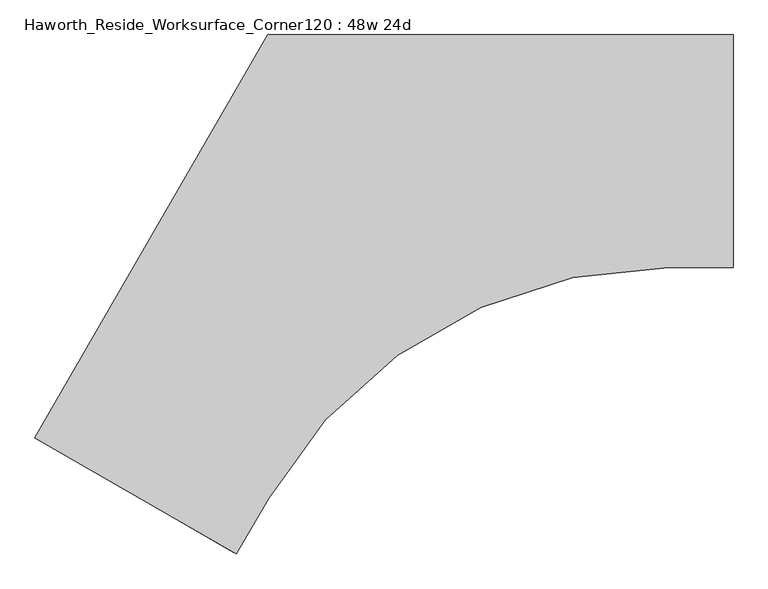
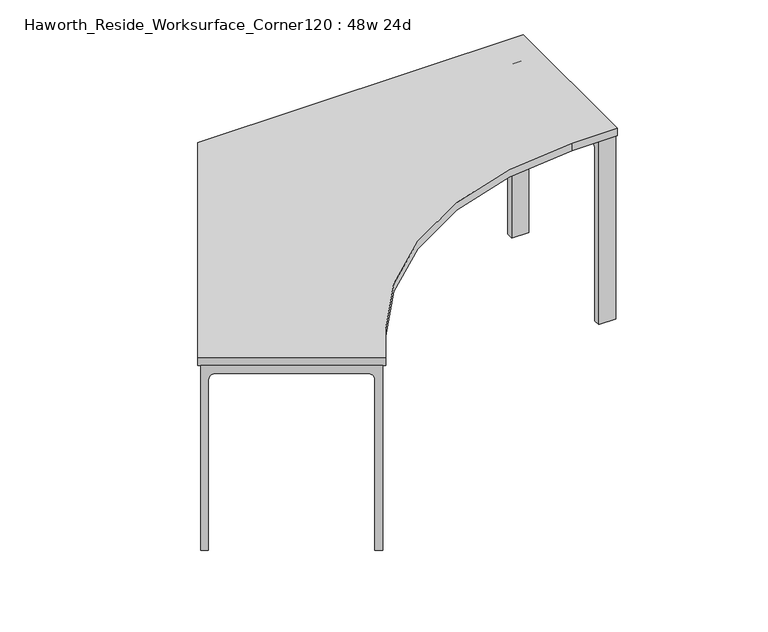
"""IFC4 building model written with IfcOpenShell, lengths in millimetres: furniture geometry, Haworth_Reside_Worksurface_Corner120 : 48w 24d."""

import ifcopenshell
import ifcopenshell.guid

model = None  # the IFC model being written
_history = None  # IfcOwnerHistory: only IFC2X3 demands one
_inside = {}  # id of a spatial element -> (the spatial element, [elements in it])
_under = {}  # id of a project, library or spatial element -> (it, [spatial elements below it])
_declared = {}  # id of a project -> (the project, [libraries it declares])
_typed = {}  # id of a type object -> (the type object, [elements of that type])
_made_of = {}  # id of a material, layer set ... -> (it, [elements and type objects made of it])


def new_model(schema):
    """Start an empty IFC model of exactly this schema.

    Asked for "IFC4X3", IfcOpenShell would pick the latest addendum, in which some entities
    have other attributes; the version numbers below select the first issue.
    IFC2X3 requires an IfcOwnerHistory on every rooted entity: one is made here for all.
    """
    global model, _history
    if schema == "IFC4X3":
        model = ifcopenshell.file(schema_version=(4, 3, 0, 0))
    else:
        model = ifcopenshell.file(schema=schema)
    _inside.clear()
    _under.clear()
    _declared.clear()
    _typed.clear()
    _made_of.clear()
    _history = None
    if model.schema == "IFC2X3":
        org = make("IfcOrganization", Name="unknown")
        user = make(
            "IfcPersonAndOrganization",
            ThePerson=make("IfcPerson", FamilyName="unknown"),
            TheOrganization=org,
        )
        app = make(
            "IfcApplication",
            ApplicationDeveloper=org,
            Version="unknown",
            ApplicationFullName="unknown",
            ApplicationIdentifier="unknown",
        )
        _history = make(
            "IfcOwnerHistory",
            OwningUser=user,
            OwningApplication=app,
            ChangeAction="ADDED",
            CreationDate=0,
        )
    return model


def make(cls, **values):
    """One entity of the class cls with the attributes given. An attribute that is None is left unset."""
    return model.create_entity(
        cls, **{name: value for name, value in values.items() if value is not None}
    )


def rooted(cls, **values):
    """An entity with a GlobalId (a new one), such as an element, a storey or a relation."""
    return make(cls, GlobalId=ifcopenshell.guid.new(), OwnerHistory=_history, **values)


def si_unit(unit_type, name, prefix=None):
    """IfcSIUnit, for example si_unit("LENGTHUNIT", "METRE", prefix="MILLI")."""
    return make("IfcSIUnit", UnitType=unit_type, Prefix=prefix, Name=name)


def assignment(units):
    """IfcUnitAssignment: the units of a project."""
    return None if units is None else make("IfcUnitAssignment", Units=units)


def point(xyz):
    """IfcCartesianPoint."""
    return None if xyz is None else make("IfcCartesianPoint", Coordinates=xyz)


def direction(xyz):
    """IfcDirection."""
    return None if xyz is None else make("IfcDirection", DirectionRatios=xyz)


def frame(location, z_axis=None, x_axis=None):
    """IfcAxis2Placement3D, a coordinate frame: its origin and axes. An axis left out is left unset."""
    return make(
        "IfcAxis2Placement3D",
        Location=point(location),
        Axis=direction(z_axis),
        RefDirection=direction(x_axis),
    )


def frame_2d(location, x_axis=None):
    """IfcAxis2Placement2D, a coordinate frame in the plane: its origin and x axis."""
    return make(
        "IfcAxis2Placement2D", Location=point(location), RefDirection=direction(x_axis)
    )


def origin():
    """The frame at (0, 0, 0) with its axes left unset."""
    return frame((0.0, 0.0, 0.0))


def place(relative_to, where):
    """IfcLocalPlacement: puts the frame where relative to a parent placement (None: the world)."""
    return make(
        "IfcLocalPlacement", PlacementRelTo=relative_to, RelativePlacement=where
    )


def context(
    kind, dimensions, precision=None, world=None, true_north=None, identifier=None
):
    """IfcGeometricRepresentationContext, for example the 3D "Model" context."""
    return make(
        "IfcGeometricRepresentationContext",
        ContextIdentifier=identifier,
        ContextType=kind,
        CoordinateSpaceDimension=dimensions,
        Precision=precision,
        WorldCoordinateSystem=world,
        TrueNorth=true_north,
    )


def project(units=None, contexts=None):
    """IfcProject with its units and contexts."""
    return rooted(
        "IfcProject",
        Name="project",
        RepresentationContexts=contexts,
        UnitsInContext=assignment(units),
    )


def spatial(cls, under=None, at=None, **own):
    """A site, building, storey or space (cls), placed at a placement, below another one or the project."""
    s = rooted(cls, ObjectPlacement=at, **own)
    if under is not None:
        _under.setdefault(under.id(), (under, []))[1].append(s)
    return s


def polyline(points):
    """IfcPolyline through the points."""
    return make("IfcPolyline", Points=[point(p) for p in points])


def circle_curve(where, radius):
    """IfcCircle in the frame where."""
    return make("IfcCircle", Position=where, Radius=radius)


def trimmed(basis, trim1, trim2, sense, master):
    """IfcTrimmedCurve: the piece of a basis curve between two trims."""
    return make(
        "IfcTrimmedCurve",
        BasisCurve=basis,
        Trim1=trim1,
        Trim2=trim2,
        SenseAgreement=sense,
        MasterRepresentation=master,
    )


def segment(curve, same_sense, transition):
    """IfcCompositeCurveSegment."""
    return make(
        "IfcCompositeCurveSegment",
        Transition=transition,
        SameSense=same_sense,
        ParentCurve=curve,
    )


def composite_curve(segments, self_intersect=None):
    """IfcCompositeCurve: segments joined end to end."""
    return make("IfcCompositeCurve", Segments=segments, SelfIntersect=self_intersect)


def outline(outer, holes=None, kind="AREA"):
    """IfcArbitraryClosedProfileDef: a profile drawn as a closed curve; with holes, ...WithVoids."""
    if holes is None:
        return make("IfcArbitraryClosedProfileDef", ProfileType=kind, OuterCurve=outer)
    return make(
        "IfcArbitraryProfileDefWithVoids",
        ProfileType=kind,
        OuterCurve=outer,
        InnerCurves=holes,
    )


def extrude(swept, where, along, depth):
    """IfcExtrudedAreaSolid: the profile swept, set in the frame where, extruded along a direction by depth."""
    return make(
        "IfcExtrudedAreaSolid",
        SweptArea=swept,
        Position=where,
        ExtrudedDirection=direction(along),
        Depth=depth,
    )


def shape(context_of_items, identifier, shape_type, items):
    """IfcShapeRepresentation: the items that make up one representation, for example the "Body"."""
    return make(
        "IfcShapeRepresentation",
        ContextOfItems=context_of_items,
        RepresentationIdentifier=identifier,
        RepresentationType=shape_type,
        Items=items,
    )


def source(mapping_origin, context_of_items, identifier, shape_type, items):
    """IfcRepresentationMap: a shape defined once, which mapped items show again and again."""
    return make(
        "IfcRepresentationMap",
        MappingOrigin=mapping_origin,
        MappedRepresentation=shape(context_of_items, identifier, shape_type, items),
    )


def transform(
    local_origin,
    x_axis=None,
    y_axis=None,
    z_axis=None,
    scale=None,
    scale2=None,
    scale3=None,
    uniform=True,
):
    """IfcCartesianTransformationOperator3D, or its non-uniform kind. x_axis, y_axis, z_axis: its Axis1, 2, 3."""
    if uniform:
        return make(
            "IfcCartesianTransformationOperator3D",
            Axis1=direction(x_axis),
            Axis2=direction(y_axis),
            LocalOrigin=point(local_origin),
            Scale=scale,
            Axis3=direction(z_axis),
        )
    return make(
        "IfcCartesianTransformationOperator3DnonUniform",
        Axis1=direction(x_axis),
        Axis2=direction(y_axis),
        LocalOrigin=point(local_origin),
        Scale=scale,
        Axis3=direction(z_axis),
        Scale2=scale2,
        Scale3=scale3,
    )


def mapped(mapping_source, mapping_target):
    """IfcMappedItem: shows the shape of a source again, moved by a transform."""
    return make(
        "IfcMappedItem", MappingSource=mapping_source, MappingTarget=mapping_target
    )


def made_of(thing, what):
    """Note that an element or type object is made of a material, layer set ...; save() writes the relation."""
    if what is not None:
        _made_of.setdefault(what.id(), (what, []))[1].append(thing)
    return thing


def element(
    cls,
    number,
    at=None,
    inside=None,
    cuts=None,
    type_object=None,
    material=None,
    context=None,
    identifier="Body",
    shape_type=None,
    held_by="IfcProductDefinitionShape",
    body=None,
    shapes=None,
    **own,
):
    """One element of the class cls, such as IfcWall. Its Tag is "e" and its number.

    at: its placement. inside: the storey or other place that contains it. cuts: it is an
    opening in that element (IfcRelVoidsElement). A single representation is given by context,
    identifier, shape_type and body (its items); several are given by shapes. held_by: the class
    of the entity that holds the representations. save() writes the other relations.
    """
    e = rooted(cls, Tag="e%d" % number, ObjectPlacement=at, **own)
    if body is not None:
        shapes = [shape(context, identifier, shape_type, body)]
    if shapes is not None:
        e.Representation = make(held_by, Representations=shapes)
    if inside is not None:
        _inside.setdefault(inside.id(), (inside, []))[1].append(e)
    if cuts is not None:
        rooted(
            "IfcRelVoidsElement", RelatingBuildingElement=cuts, RelatedOpeningElement=e
        )
    if type_object is not None:
        _typed.setdefault(type_object.id(), (type_object, []))[1].append(e)
    return made_of(e, material)


def aggregate(whole, parts):
    """IfcRelAggregates: a whole, such as a stair, and the parts it consists of."""
    return rooted("IfcRelAggregates", RelatingObject=whole, RelatedObjects=parts)


def save(model, path):
    """Write the relations noted so far, then the file.

    IfcRelAggregates (storeys below a building ...), IfcRelContainedInSpatialStructure (elements
    in a storey), IfcRelDefinesByType, IfcRelAssociatesMaterial and IfcRelDeclares: one each for
    every whole, place, type object, material and project.
    """
    for whole, parts in _under.values():
        aggregate(whole, parts)
    for where, things in _inside.values():
        rooted(
            "IfcRelContainedInSpatialStructure",
            RelatedElements=things,
            RelatingStructure=where,
        )
    for kind, things in _typed.values():
        rooted("IfcRelDefinesByType", RelatedObjects=things, RelatingType=kind)
    for what, things in _made_of.values():
        rooted("IfcRelAssociatesMaterial", RelatedObjects=things, RelatingMaterial=what)
    for by, libraries in _declared.values():
        rooted("IfcRelDeclares", RelatingContext=by, RelatedDefinitions=libraries)
    model.write(path)


def haworth_reside_worksurface_corner120_48w_24d_08b8e670(model_context):
    return source(origin(), model_context, "Body", "SweptSolid", [
        extrude(outline(composite_curve([segment(polyline([(0.0, 0.0), (146.0500001, 0.0), (146.0500001, -731.8375), (120.65, -731.8375), (120.65, -55.5625)]), True, "CONTINUOUS"), segment(trimmed(circle_curve(frame_2d((95.25, -55.5625)), 25.4), [point((120.65, -55.5625))], [point((95.25, -30.1625))], True, "CARTESIAN"), True, "CONTINUOUS"), segment(polyline([(95.25, -30.1625), (0.0, -30.1625), (0.0, 0.0)]), True, "CONTINUOUS")], self_intersect=False)), frame((-684.7213066, 107.4493766, 731.8375), z_axis=(0.866025403784444, 0.49999999999999084, 0.0), x_axis=(-0.49999999999999084, 0.866025403784444, 0.0)), (0.0, 0.0, 1.0), 63.5),
        extrude(outline(composite_curve([segment(polyline([(0.0, 0.0), (527.05, 0.0), (527.05, -731.8375), (501.65, -731.8375), (501.65, -55.5625)]), True, "CONTINUOUS"), segment(trimmed(circle_curve(frame_2d((476.25, -55.5625)), 25.4), [point((501.65, -55.5625))], [point((476.25, -30.1625))], True, "CARTESIAN"), True, "CONTINUOUS"), segment(polyline([(476.25, -30.1625), (0.0, -30.1625), (0.0, 0.0)]), True, "CONTINUOUS")], self_intersect=False)), frame((-494.2213066, -222.5063022, 731.8375), z_axis=(0.866025403784444, 0.49999999999999084, 0.0), x_axis=(-0.49999999999999084, 0.866025403784444, 0.0)), (0.0, 0.0, 1.0), 63.5),
        extrude(outline(composite_curve([segment(trimmed(circle_curve(frame_2d((244.475, 676.275)), 25.4), [point((269.875, 676.275))], [point((244.475, 701.675))], True, "CARTESIAN"), True, "CONTINUOUS"), segment(polyline([(244.475, 701.675), (-244.475, 701.675)]), True, "CONTINUOUS"), segment(trimmed(circle_curve(frame_2d((-244.475, 676.275)), 25.4), [point((-244.475, 701.675))], [point((-269.875, 676.275))], True, "CARTESIAN"), True, "CONTINUOUS"), segment(polyline([(-269.875, 676.275), (-269.875, 0.0), (-295.275, 0.0), (-295.275, 731.8375), (295.275, 731.8375), (295.275, 0.0), (269.875, 0.0), (269.875, 676.275)]), True, "CONTINUOUS")], self_intersect=False)), frame((393.7, 0.0, 0.0), z_axis=(1.0, 0.0, 0.0), x_axis=(0.0, 1.0, 0.0)), (0.0, 0.0, 1.0), 63.5),
        extrude(outline(composite_curve([segment(trimmed(circle_curve(frame_2d((676.275, 25.4)), 25.4), [point((676.275, 0.0))], [point((701.675, 25.4))], True, "CARTESIAN"), True, "CONTINUOUS"), segment(polyline([(701.675, 25.4), (701.675, 514.3500001)]), True, "CONTINUOUS"), segment(trimmed(circle_curve(frame_2d((676.275, 514.3500001)), 25.4), [point((701.675, 514.3500001))], [point((676.275, 539.75))], True, "CARTESIAN"), True, "CONTINUOUS"), segment(polyline([(676.275, 539.75), (0.0, 539.75), (0.0, 565.15), (731.8375, 565.15), (731.8375, -25.4), (0.0, -25.4), (0.0, 0.0), (676.275, 0.0)]), True, "CONTINUOUS")], self_intersect=False)), frame((-1341.3540628, -768.5206723, 0.0), z_axis=(0.4999999999999951, 0.8660254037844415, 0.0), x_axis=(0.0, 0.0, 1.0)), (0.0, 0.0, 1.0), 63.5),
        extrude(outline(composite_curve([segment(polyline([(-1371.6, -751.0581723), (-762.0, 304.8), (457.2, 304.8), (457.2, -304.8), (288.358911, -304.8)]), True, "CONTINUOUS"), segment(trimmed(circle_curve(frame_2d((288.358911, -1514.475)), 1209.675), [point((288.358911, -304.8))], [point((-759.2503693, -909.6375))], True, "CARTESIAN"), True, "CONTINUOUS"), segment(polyline([(-759.2503693, -909.6375), (-843.6709139, -1055.8581723), (-1371.6, -751.0581723)]), True, "CONTINUOUS")], self_intersect=False)), frame((0.0, 0.0, 731.8375), z_axis=(0.0, 0.0, 1.0), x_axis=(1.0, 0.0, 0.0)), (0.0, 0.0, 1.0), 30.1625),
    ])


if __name__ == "__main__":
    model = new_model("IFC4")
    model_context = context("Model", 3, world=origin())
    ifc_project = project(units=[si_unit("LENGTHUNIT", "METRE", prefix="MILLI")], contexts=[model_context])
    site = spatial("IfcSite", under=ifc_project)
    building = spatial("IfcBuilding", under=site)
    placement = place(None, origin())
    haworth_reside_worksurface_corner120_48w_24d_shape = haworth_reside_worksurface_corner120_48w_24d_08b8e670(model_context)
    element("IfcFurniture", 1, ObjectType="Haworth_Reside_Worksurface_Corner120 : 48w 24d", at=placement, inside=building, context=model_context, shape_type="MappedRepresentation", body=[
        mapped(haworth_reside_worksurface_corner120_48w_24d_shape, transform((0.0, 0.0, 0.0), x_axis=(1.0, 0.0, 0.0), y_axis=(0.0, 1.0, 0.0), z_axis=(0.0, 0.0, 1.0))),
    ])
    save(model, "model.ifc")
